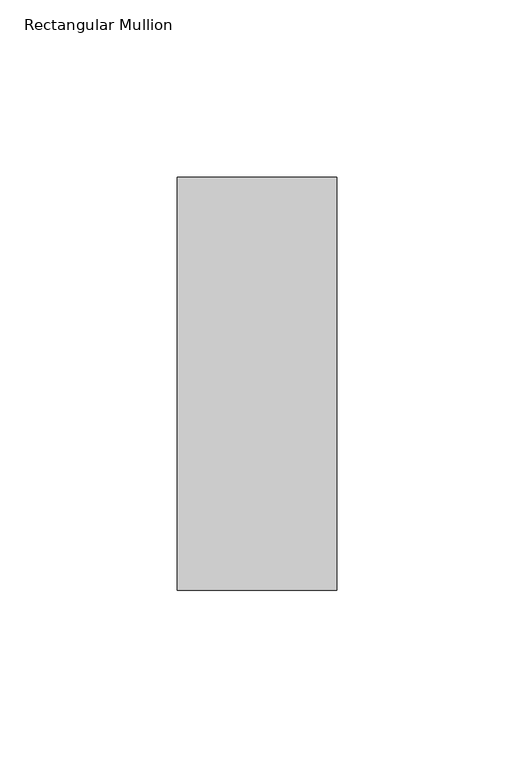
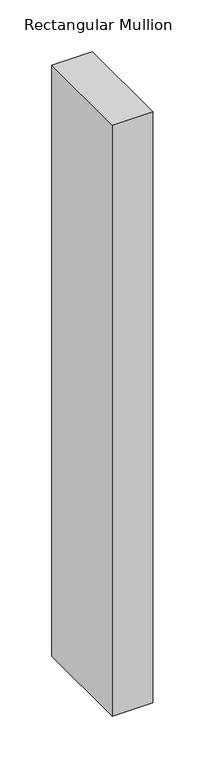
"""IFC4 building model written with IfcOpenShell, lengths in millimetres: member geometry, Rectangular Mullion."""

from ifc_helpers import new_model, si_unit, frame, origin, place, context, project, spatial, polyline, outline, extrude, source, transform, mapped, element, save


def rectangular_mullion_cb586142(model_context):
    return source(origin(), model_context, "Body", "SweptSolid", [
        extrude(outline(polyline([(-45.0453125, 73.875), (0.0, 73.875), (0.0, -42.8257813), (-45.0453125, -42.8257813), (-45.0453125, 73.875)])), frame((0.0, 0.0, -695.5234375), z_axis=(0.0, 0.0, 1.0), x_axis=(1.0, 0.0, 0.0)), (0.0, 0.0, 1.0), 695.5234375),
    ])


if __name__ == "__main__":
    model = new_model("IFC4")
    model_context = context("Model", 3, world=origin())
    ifc_project = project(units=[si_unit("LENGTHUNIT", "METRE", prefix="MILLI")], contexts=[model_context])
    site = spatial("IfcSite", under=ifc_project)
    building = spatial("IfcBuilding", under=site)
    placement = place(None, origin())
    rectangular_mullion_shape = rectangular_mullion_cb586142(model_context)
    element("IfcMember", 1, ObjectType="Rectangular Mullion", at=placement, inside=building, context=model_context, shape_type="MappedRepresentation", body=[
        mapped(rectangular_mullion_shape, transform((0.0, 0.0, 0.0), x_axis=(1.0, 0.0, 0.0), y_axis=(0.0, 1.0, 0.0), z_axis=(0.0, 0.0, 1.0))),
    ])
    save(model, "model.ifc")
